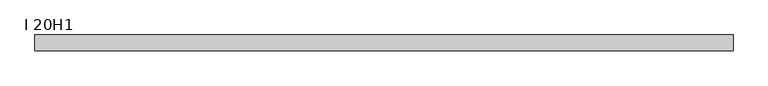
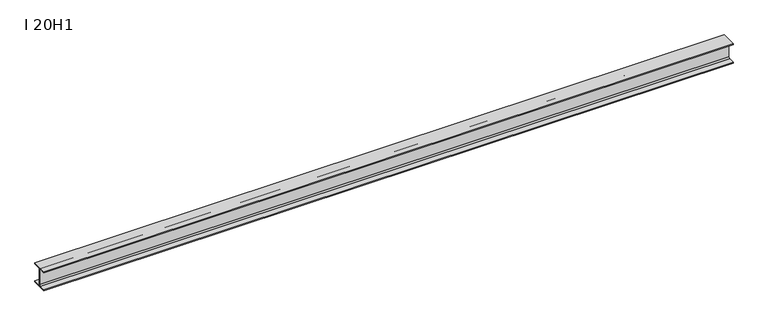
"""IFC4 building model written with IfcOpenShell, lengths in millimetres: beam geometry, I 20H1."""

from ifc_helpers import new_model, si_unit, point, frame, frame_2d, origin, place, context, project, spatial, polyline, circle_curve, trimmed, segment, composite_curve, outline, extrude, source, transform, mapped, element, save


def i_20h1_ba175fc7(model_context):
    return source(origin(), model_context, "Body", "SweptSolid", [
        extrude(outline(composite_curve([segment(polyline([(75.0, -87.5), (75.0, -96.5), (-75.0, -96.5), (-75.0, -87.5), (-16.0, -87.5)]), True, "CONTINUOUS"), segment(trimmed(circle_curve(frame_2d((-16.0, -74.5)), 13.0), [point((-16.0, -87.5))], [point((-3.0, -74.5))], True, "CARTESIAN"), True, "CONTINUOUS"), segment(polyline([(-3.0, -74.5), (-3.0, 74.5)]), True, "CONTINUOUS"), segment(trimmed(circle_curve(frame_2d((-16.0, 74.5)), 13.0), [point((-3.0, 74.5))], [point((-16.0, 87.5))], True, "CARTESIAN"), True, "CONTINUOUS"), segment(polyline([(-16.0, 87.5), (-75.0, 87.5), (-75.0, 96.5), (75.0, 96.5), (75.0, 87.5), (16.0, 87.5)]), True, "CONTINUOUS"), segment(trimmed(circle_curve(frame_2d((16.0, 74.5)), 13.0), [point((16.0, 87.5))], [point((3.0, 74.5))], True, "CARTESIAN"), True, "CONTINUOUS"), segment(polyline([(3.0, 74.5), (3.0, -74.5)]), True, "CONTINUOUS"), segment(trimmed(circle_curve(frame_2d((16.0, -74.5)), 13.0), [point((3.0, -74.5))], [point((16.0, -87.5))], True, "CARTESIAN"), True, "CONTINUOUS"), segment(polyline([(16.0, -87.5), (75.0, -87.5)]), True, "CONTINUOUS")], self_intersect=False)), frame((-3279.0, 0.0, 0.0), z_axis=(1.0, 0.0, 0.0), x_axis=(0.0, 1.0, 0.0)), (0.0, 0.0, 1.0), 6577.0),
    ])


if __name__ == "__main__":
    model = new_model("IFC4")
    model_context = context("Model", 3, world=origin())
    ifc_project = project(units=[si_unit("LENGTHUNIT", "METRE", prefix="MILLI")], contexts=[model_context])
    site = spatial("IfcSite", under=ifc_project)
    building = spatial("IfcBuilding", under=site)
    placement = place(None, origin())
    i_20h1_shape = i_20h1_ba175fc7(model_context)
    element("IfcBeam", 1, ObjectType="I 20H1", at=placement, inside=building, context=model_context, shape_type="MappedRepresentation", body=[
        mapped(i_20h1_shape, transform((0.0, 0.0, 0.0), x_axis=(1.0, 0.0, 0.0), y_axis=(0.0, 1.0, 0.0), z_axis=(0.0, 0.0, 1.0))),
    ])
    save(model, "model.ifc")
